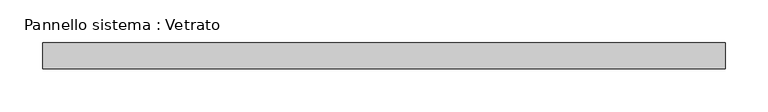
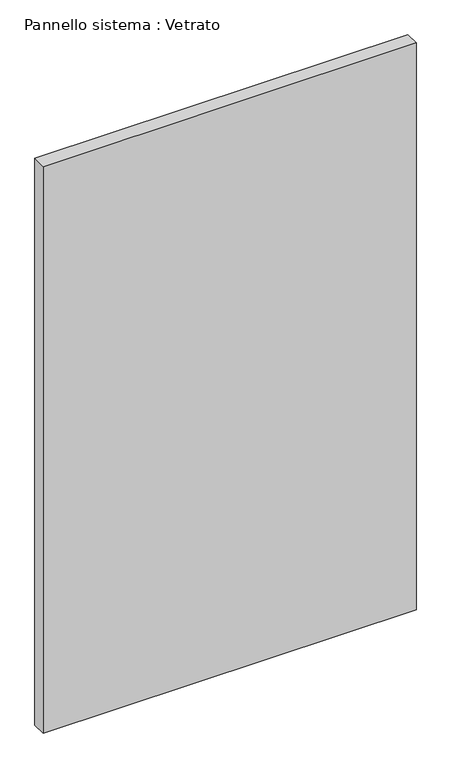
"""IFC4 building model written with IfcOpenShell, lengths in millimetres: plate geometry, Pannello sistema : Vetrato."""

from ifc_helpers import new_model, si_unit, origin, origin_with_axes, place, context, project, spatial, polyline, outline, extrude, source, transform, mapped, element, save


def pannello_sistema_vetrato_324e2964(model_context):
    return source(origin(), model_context, "Body", "SweptSolid", [
        extrude(outline(polyline([(397.0, -15.0), (-397.0, -15.0), (-397.0, 15.0), (397.0, 15.0), (397.0, -15.0)])), origin_with_axes(), (0.0, 0.0, 1.0), 1275.0),
    ])


if __name__ == "__main__":
    model = new_model("IFC4")
    model_context = context("Model", 3, world=origin())
    ifc_project = project(units=[si_unit("LENGTHUNIT", "METRE", prefix="MILLI")], contexts=[model_context])
    site = spatial("IfcSite", under=ifc_project)
    building = spatial("IfcBuilding", under=site)
    placement = place(None, origin())
    pannello_sistema_vetrato_shape = pannello_sistema_vetrato_324e2964(model_context)
    element("IfcPlate", 1, ObjectType="Pannello sistema : Vetrato", at=placement, inside=building, context=model_context, shape_type="MappedRepresentation", body=[
        mapped(pannello_sistema_vetrato_shape, transform((0.0, 0.0, 0.0), x_axis=(1.0, 0.0, 0.0), y_axis=(0.0, 1.0, 0.0), z_axis=(0.0, 0.0, 1.0))),
    ])
    save(model, "model.ifc")
